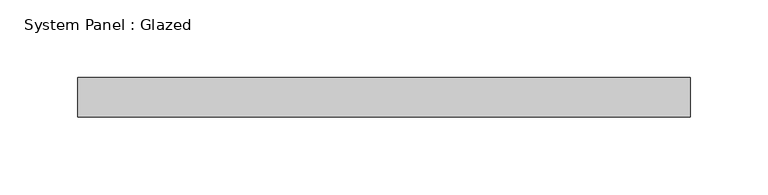
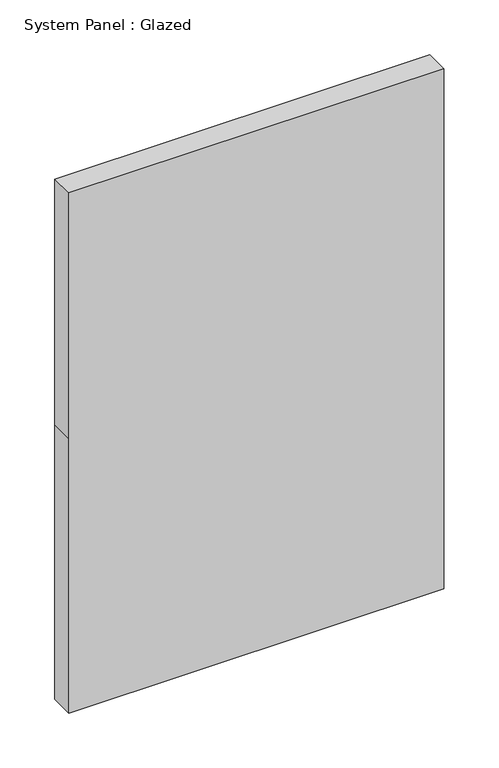
"""IFC4 building model written with IfcOpenShell, lengths in millimetres: plate geometry, System Panel : Glazed."""

from ifc_helpers import new_model, si_unit, frame, origin, place, context, project, spatial, polyline, outline, extrude, source, transform, mapped, element, save


def system_panel_glazed_09c2ebe6(model_context):
    return source(origin(), model_context, "Body", "SweptSolid", [
        extrude(outline(polyline([(0.0, -196.85), (0.0, 196.85), (304.8, 196.85), (577.85, 196.85), (577.85, -196.85), (304.8, -196.85), (0.0, -196.85)])), frame((0.0, 19.05, 0.0), z_axis=(0.0, 1.0, 0.0), x_axis=(0.0, 0.0, 1.0)), (0.0, 0.0, 1.0), 25.4),
    ])


if __name__ == "__main__":
    model = new_model("IFC4")
    model_context = context("Model", 3, world=origin())
    ifc_project = project(units=[si_unit("LENGTHUNIT", "METRE", prefix="MILLI")], contexts=[model_context])
    site = spatial("IfcSite", under=ifc_project)
    building = spatial("IfcBuilding", under=site)
    placement = place(None, origin())
    system_panel_glazed_shape = system_panel_glazed_09c2ebe6(model_context)
    element("IfcPlate", 1, ObjectType="System Panel : Glazed", at=placement, inside=building, context=model_context, shape_type="MappedRepresentation", body=[
        mapped(system_panel_glazed_shape, transform((0.0, 0.0, 0.0), x_axis=(1.0, 0.0, 0.0), y_axis=(0.0, 1.0, 0.0), z_axis=(0.0, 0.0, 1.0))),
    ])
    save(model, "model.ifc")
